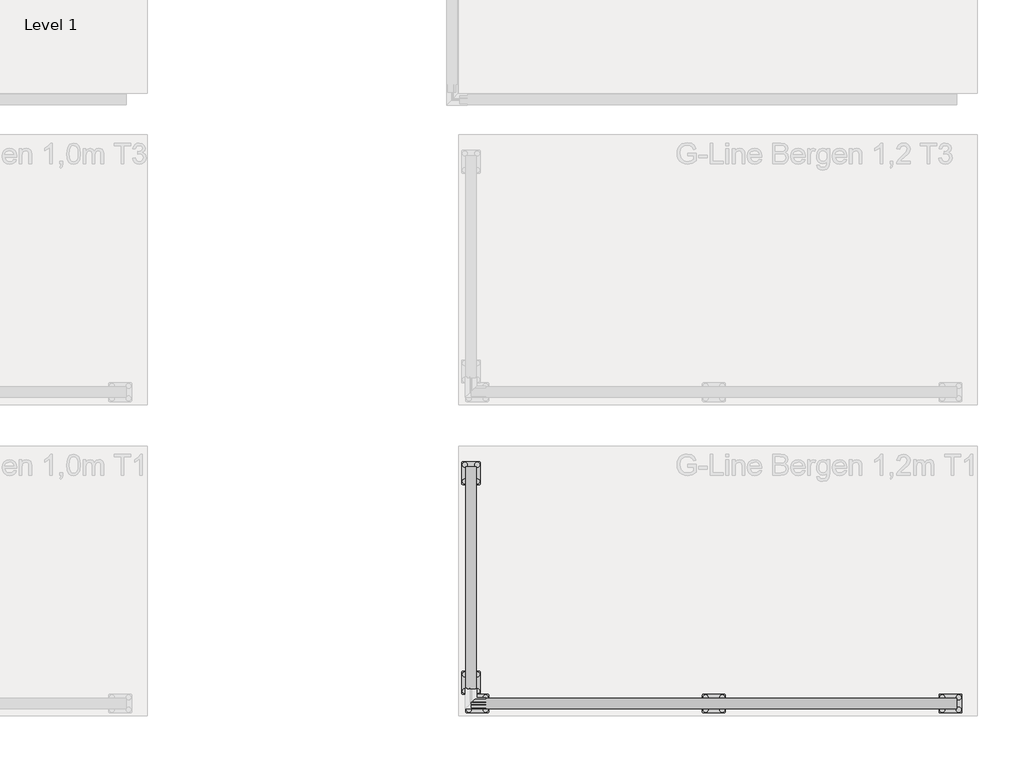
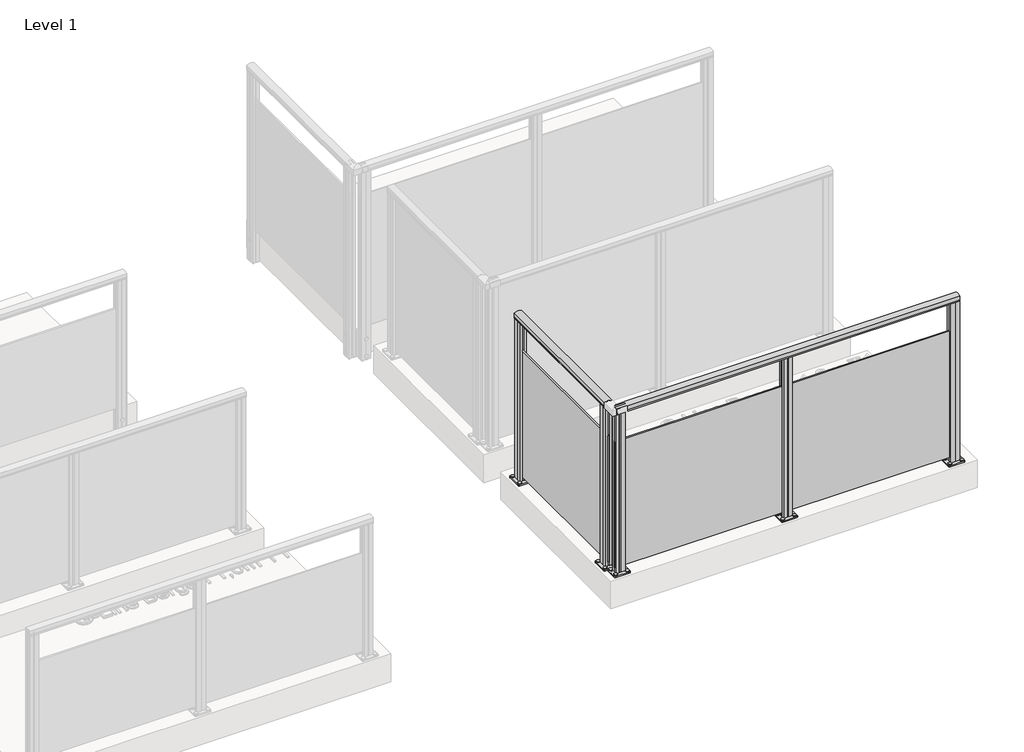
# One storey, part 4 of 14: 2 railings.
"""IFC4 building model written with IfcOpenShell, lengths in millimetres."""

import ifcopenshell
import ifcopenshell.guid

model = None  # the IFC model being written
_history = None  # IfcOwnerHistory: only IFC2X3 demands one
_inside = {}  # id of a spatial element -> (the spatial element, [elements in it])
_under = {}  # id of a project, library or spatial element -> (it, [spatial elements below it])
_declared = {}  # id of a project -> (the project, [libraries it declares])
_typed = {}  # id of a type object -> (the type object, [elements of that type])
_made_of = {}  # id of a material, layer set ... -> (it, [elements and type objects made of it])


def new_model(schema):
    """Start an empty IFC model of exactly this schema.

    Asked for "IFC4X3", IfcOpenShell would pick the latest addendum, in which some entities
    have other attributes; the version numbers below select the first issue.
    IFC2X3 requires an IfcOwnerHistory on every rooted entity: one is made here for all.
    """
    global model, _history
    if schema == "IFC4X3":
        model = ifcopenshell.file(schema_version=(4, 3, 0, 0))
    else:
        model = ifcopenshell.file(schema=schema)
    _inside.clear()
    _under.clear()
    _declared.clear()
    _typed.clear()
    _made_of.clear()
    _history = None
    if model.schema == "IFC2X3":
        org = make("IfcOrganization", Name="unknown")
        user = make(
            "IfcPersonAndOrganization",
            ThePerson=make("IfcPerson", FamilyName="unknown"),
            TheOrganization=org,
        )
        app = make(
            "IfcApplication",
            ApplicationDeveloper=org,
            Version="unknown",
            ApplicationFullName="unknown",
            ApplicationIdentifier="unknown",
        )
        _history = make(
            "IfcOwnerHistory",
            OwningUser=user,
            OwningApplication=app,
            ChangeAction="ADDED",
            CreationDate=0,
        )
    return model


def make(cls, **values):
    """One entity of the class cls with the attributes given. An attribute that is None is left unset."""
    return model.create_entity(
        cls, **{name: value for name, value in values.items() if value is not None}
    )


def rooted(cls, **values):
    """An entity with a GlobalId (a new one), such as an element, a storey or a relation."""
    return make(cls, GlobalId=ifcopenshell.guid.new(), OwnerHistory=_history, **values)


def si_unit(unit_type, name, prefix=None):
    """IfcSIUnit, for example si_unit("LENGTHUNIT", "METRE", prefix="MILLI")."""
    return make("IfcSIUnit", UnitType=unit_type, Prefix=prefix, Name=name)


def assignment(units):
    """IfcUnitAssignment: the units of a project."""
    return None if units is None else make("IfcUnitAssignment", Units=units)


def point(xyz):
    """IfcCartesianPoint."""
    return None if xyz is None else make("IfcCartesianPoint", Coordinates=xyz)


def direction(xyz):
    """IfcDirection."""
    return None if xyz is None else make("IfcDirection", DirectionRatios=xyz)


def frame(location, z_axis=None, x_axis=None):
    """IfcAxis2Placement3D, a coordinate frame: its origin and axes. An axis left out is left unset."""
    return make(
        "IfcAxis2Placement3D",
        Location=point(location),
        Axis=direction(z_axis),
        RefDirection=direction(x_axis),
    )


def frame_2d(location, x_axis=None):
    """IfcAxis2Placement2D, a coordinate frame in the plane: its origin and x axis."""
    return make(
        "IfcAxis2Placement2D", Location=point(location), RefDirection=direction(x_axis)
    )


def origin():
    """The frame at (0, 0, 0) with its axes left unset."""
    return frame((0.0, 0.0, 0.0))


def origin_with_axes():
    """The frame at (0, 0, 0) with the z axis (0, 0, 1) and the x axis (1, 0, 0) written out."""
    return frame((0.0, 0.0, 0.0), z_axis=(0.0, 0.0, 1.0), x_axis=(1.0, 0.0, 0.0))


def place(relative_to, where):
    """IfcLocalPlacement: puts the frame where relative to a parent placement (None: the world)."""
    return make(
        "IfcLocalPlacement", PlacementRelTo=relative_to, RelativePlacement=where
    )


def context(
    kind, dimensions, precision=None, world=None, true_north=None, identifier=None
):
    """IfcGeometricRepresentationContext, for example the 3D "Model" context."""
    return make(
        "IfcGeometricRepresentationContext",
        ContextIdentifier=identifier,
        ContextType=kind,
        CoordinateSpaceDimension=dimensions,
        Precision=precision,
        WorldCoordinateSystem=world,
        TrueNorth=true_north,
    )


def project(units=None, contexts=None):
    """IfcProject with its units and contexts."""
    return rooted(
        "IfcProject",
        Name="project",
        RepresentationContexts=contexts,
        UnitsInContext=assignment(units),
    )


def spatial(cls, under=None, at=None, **own):
    """A site, building, storey or space (cls), placed at a placement, below another one or the project."""
    s = rooted(cls, ObjectPlacement=at, **own)
    if under is not None:
        _under.setdefault(under.id(), (under, []))[1].append(s)
    return s


def polyline(points):
    """IfcPolyline through the points."""
    return make("IfcPolyline", Points=[point(p) for p in points])


def circle_curve(where, radius):
    """IfcCircle in the frame where."""
    return make("IfcCircle", Position=where, Radius=radius)


def trimmed(basis, trim1, trim2, sense, master):
    """IfcTrimmedCurve: the piece of a basis curve between two trims."""
    return make(
        "IfcTrimmedCurve",
        BasisCurve=basis,
        Trim1=trim1,
        Trim2=trim2,
        SenseAgreement=sense,
        MasterRepresentation=master,
    )


def segment(curve, same_sense, transition):
    """IfcCompositeCurveSegment."""
    return make(
        "IfcCompositeCurveSegment",
        Transition=transition,
        SameSense=same_sense,
        ParentCurve=curve,
    )


def composite_curve(segments, self_intersect=None):
    """IfcCompositeCurve: segments joined end to end."""
    return make("IfcCompositeCurve", Segments=segments, SelfIntersect=self_intersect)


def outline(outer, holes=None, kind="AREA"):
    """IfcArbitraryClosedProfileDef: a profile drawn as a closed curve; with holes, ...WithVoids."""
    if holes is None:
        return make("IfcArbitraryClosedProfileDef", ProfileType=kind, OuterCurve=outer)
    return make(
        "IfcArbitraryProfileDefWithVoids",
        ProfileType=kind,
        OuterCurve=outer,
        InnerCurves=holes,
    )


def extrude(swept, where, along, depth):
    """IfcExtrudedAreaSolid: the profile swept, set in the frame where, extruded along a direction by depth."""
    return make(
        "IfcExtrudedAreaSolid",
        SweptArea=swept,
        Position=where,
        ExtrudedDirection=direction(along),
        Depth=depth,
    )


def shape(context_of_items, identifier, shape_type, items):
    """IfcShapeRepresentation: the items that make up one representation, for example the "Body"."""
    return make(
        "IfcShapeRepresentation",
        ContextOfItems=context_of_items,
        RepresentationIdentifier=identifier,
        RepresentationType=shape_type,
        Items=items,
    )


def made_of(thing, what):
    """Note that an element or type object is made of a material, layer set ...; save() writes the relation."""
    if what is not None:
        _made_of.setdefault(what.id(), (what, []))[1].append(thing)
    return thing


def element(
    cls,
    number,
    at=None,
    inside=None,
    cuts=None,
    type_object=None,
    material=None,
    context=None,
    identifier="Body",
    shape_type=None,
    held_by="IfcProductDefinitionShape",
    body=None,
    shapes=None,
    **own,
):
    """One element of the class cls, such as IfcWall. Its Tag is "e" and its number.

    at: its placement. inside: the storey or other place that contains it. cuts: it is an
    opening in that element (IfcRelVoidsElement). A single representation is given by context,
    identifier, shape_type and body (its items); several are given by shapes. held_by: the class
    of the entity that holds the representations. save() writes the other relations.
    """
    e = rooted(cls, Tag="e%d" % number, ObjectPlacement=at, **own)
    if body is not None:
        shapes = [shape(context, identifier, shape_type, body)]
    if shapes is not None:
        e.Representation = make(held_by, Representations=shapes)
    if inside is not None:
        _inside.setdefault(inside.id(), (inside, []))[1].append(e)
    if cuts is not None:
        rooted(
            "IfcRelVoidsElement", RelatingBuildingElement=cuts, RelatedOpeningElement=e
        )
    if type_object is not None:
        _typed.setdefault(type_object.id(), (type_object, []))[1].append(e)
    return made_of(e, material)


def aggregate(whole, parts):
    """IfcRelAggregates: a whole, such as a stair, and the parts it consists of."""
    return rooted("IfcRelAggregates", RelatingObject=whole, RelatedObjects=parts)


def save(model, path):
    """Write the relations noted so far, then the file.

    IfcRelAggregates (storeys below a building ...), IfcRelContainedInSpatialStructure (elements
    in a storey), IfcRelDefinesByType, IfcRelAssociatesMaterial and IfcRelDeclares: one each for
    every whole, place, type object, material and project.
    """
    for whole, parts in _under.values():
        aggregate(whole, parts)
    for where, things in _inside.values():
        rooted(
            "IfcRelContainedInSpatialStructure",
            RelatedElements=things,
            RelatingStructure=where,
        )
    for kind, things in _typed.values():
        rooted("IfcRelDefinesByType", RelatedObjects=things, RelatingType=kind)
    for what, things in _made_of.values():
        rooted("IfcRelAssociatesMaterial", RelatedObjects=things, RelatingMaterial=what)
    for by, libraries in _declared.values():
        rooted("IfcRelDeclares", RelatingContext=by, RelatedDefinitions=libraries)
    model.write(path)


model = new_model("IFC4")

# Units and contexts
model_context = context("Model", 3, world=origin())
ifc_project = project(units=[si_unit("LENGTHUNIT", "METRE", prefix="MILLI")], contexts=[model_context])

# Site, building, storey
site = spatial("IfcSite", under=ifc_project)
building = spatial("IfcBuilding", under=site)
storey = spatial("IfcBuildingStorey", under=building, Name="Level 1", Elevation=0.0)

# Railings
placement = place(None, origin())
element("IfcRailing", 1, at=placement, inside=storey, context=model_context, shape_type="SweptSolid", body=[
    extrude(outline(composite_curve([segment(trimmed(circle_curve(frame_2d((1142.6785502, 2203.0702557)), 57.3235687), [point((1194.1390059, 2228.325216))], [point((1194.1342258, 2177.8055577))], False, "CARTESIAN"), True, "CONTINUOUS"), segment(polyline([(1194.1342258, 2177.8055577), (1167.0235023, 2177.8055577), (1166.4415706, 2178.3874894), (1165.8194895, 2177.7654083), (1157.2498847, 2177.7654083), (1157.2498847, 2179.5703613), (1180.4998829, 2179.5703613), (1180.4998829, 2226.5654074), (1157.2498847, 2226.5654074), (1157.2498847, 2228.325216), (1165.9694895, 2228.325216), (1166.5842725, 2227.7104329), (1167.1990555, 2228.325216), (1194.1390059, 2228.325216)]), True, "CONTINUOUS")], self_intersect=False)), frame((0.0, -4389.2844542, 0.0), z_axis=(0.0, 1.0, 0.0), x_axis=(0.0, 0.0, 1.0)), (0.0, 0.0, 1.0), 1070.0),
    extrude(outline(polyline([(2197.9654396, -3319.2844542), (2206.7254396, -3319.2844542), (2206.7254396, -4389.2844542), (2197.9654396, -4389.2844542), (2197.9654396, -3319.2844542)])), frame((0.0, 0.0, 40.0), z_axis=(0.0, 0.0, 1.0), x_axis=(1.0, 0.0, 0.0)), (0.0, 0.0, 1.0), 910.0),
    extrude(outline(composite_curve([segment(trimmed(circle_curve(frame_2d((2172.3454396, -4319.2844542)), 11.9621755), [point((2160.3832641, -4319.2844542))], [point((2184.307615, -4319.2844542))], False, "CARTESIAN"), True, "CONTINUOUS"), segment(trimmed(circle_curve(frame_2d((2172.3454396, -4319.2844542)), 11.9621755), [point((2184.307615, -4319.2844542))], [point((2160.3832641, -4319.2844542))], False, "CARTESIAN"), True, "CONTINUOUS")], self_intersect=False)), frame((0.0, 0.0, 10.0), z_axis=(0.0, 0.0, 1.0), x_axis=(1.0, 0.0, 0.0)), (0.0, 0.0, 1.0), 5.0),
    extrude(outline(composite_curve([segment(trimmed(circle_curve(frame_2d((2232.3454396, -4319.2844542)), 11.9621755), [point((2220.3832641, -4319.2844542))], [point((2244.307615, -4319.2844542))], False, "CARTESIAN"), True, "CONTINUOUS"), segment(trimmed(circle_curve(frame_2d((2232.3454396, -4319.2844542)), 11.9621755), [point((2244.307615, -4319.2844542))], [point((2220.3832641, -4319.2844542))], False, "CARTESIAN"), True, "CONTINUOUS")], self_intersect=False)), frame((0.0, 0.0, 10.0), z_axis=(0.0, 0.0, 1.0), x_axis=(1.0, 0.0, 0.0)), (0.0, 0.0, 1.0), 5.0),
    extrude(outline(composite_curve([segment(trimmed(circle_curve(frame_2d((2172.3454396, -4399.2844542)), 11.9621755), [point((2160.3832641, -4399.2844542))], [point((2184.307615, -4399.2844542))], False, "CARTESIAN"), True, "CONTINUOUS"), segment(trimmed(circle_curve(frame_2d((2172.3454396, -4399.2844542)), 11.9621755), [point((2184.307615, -4399.2844542))], [point((2160.3832641, -4399.2844542))], False, "CARTESIAN"), True, "CONTINUOUS")], self_intersect=False)), frame((0.0, 0.0, 10.0), z_axis=(0.0, 0.0, 1.0), x_axis=(1.0, 0.0, 0.0)), (0.0, 0.0, 1.0), 5.0),
    extrude(outline(composite_curve([segment(trimmed(circle_curve(frame_2d((2232.3454396, -4399.2844542)), 11.9621755), [point((2220.3832641, -4399.2844542))], [point((2244.307615, -4399.2844542))], False, "CARTESIAN"), True, "CONTINUOUS"), segment(trimmed(circle_curve(frame_2d((2232.3454396, -4399.2844542)), 11.9621755), [point((2244.307615, -4399.2844542))], [point((2220.3832641, -4399.2844542))], False, "CARTESIAN"), True, "CONTINUOUS")], self_intersect=False)), frame((0.0, 0.0, 10.0), z_axis=(0.0, 0.0, 1.0), x_axis=(1.0, 0.0, 0.0)), (0.0, 0.0, 1.0), 5.0),
    extrude(outline(composite_curve([segment(trimmed(circle_curve(frame_2d((2242.3454396, -4309.2844542)), 5.0), [point((2242.3454396, -4304.2844542))], [point((2247.3454396, -4309.2844542))], False, "CARTESIAN"), True, "CONTINUOUS"), segment(polyline([(2247.3454396, -4309.2844542), (2247.3454396, -4409.2844542)]), True, "CONTINUOUS"), segment(trimmed(circle_curve(frame_2d((2242.3454396, -4409.2844542)), 5.0), [point((2247.3454396, -4409.2844542))], [point((2242.3454396, -4414.2844542))], False, "CARTESIAN"), True, "CONTINUOUS"), segment(polyline([(2242.3454396, -4414.2844542), (2162.3454396, -4414.2844542)]), True, "CONTINUOUS"), segment(trimmed(circle_curve(frame_2d((2162.3454396, -4409.2844542)), 5.0), [point((2162.3454396, -4414.2844542))], [point((2157.3454396, -4409.2844542))], False, "CARTESIAN"), True, "CONTINUOUS"), segment(polyline([(2157.3454396, -4409.2844542), (2157.3454396, -4309.2844542)]), True, "CONTINUOUS"), segment(trimmed(circle_curve(frame_2d((2162.3454396, -4309.2844542)), 5.0), [point((2157.3454396, -4309.2844542))], [point((2162.3454396, -4304.2844542))], False, "CARTESIAN"), True, "CONTINUOUS"), segment(polyline([(2162.3454396, -4304.2844542), (2242.3454396, -4304.2844542)]), True, "CONTINUOUS")], self_intersect=False), holes=[composite_curve([segment(trimmed(circle_curve(frame_2d((2232.3454396, -4319.2844542)), 6.25), [point((2226.0954396, -4319.2844542))], [point((2238.5954396, -4319.2844542))], True, "CARTESIAN"), True, "CONTINUOUS"), segment(trimmed(circle_curve(frame_2d((2232.3454396, -4319.2844542)), 6.25), [point((2238.5954396, -4319.2844542))], [point((2226.0954396, -4319.2844542))], True, "CARTESIAN"), True, "CONTINUOUS")], self_intersect=False), composite_curve([segment(trimmed(circle_curve(frame_2d((2172.3454396, -4319.2844542)), 6.25), [point((2166.0954396, -4319.2844542))], [point((2178.5954396, -4319.2844542))], True, "CARTESIAN"), True, "CONTINUOUS"), segment(trimmed(circle_curve(frame_2d((2172.3454396, -4319.2844542)), 6.25), [point((2178.5954396, -4319.2844542))], [point((2166.0954396, -4319.2844542))], True, "CARTESIAN"), True, "CONTINUOUS")], self_intersect=False), composite_curve([segment(trimmed(circle_curve(frame_2d((2172.3454396, -4399.2844542)), 6.25), [point((2166.0954396, -4399.2844542))], [point((2178.5954396, -4399.2844542))], True, "CARTESIAN"), True, "CONTINUOUS"), segment(trimmed(circle_curve(frame_2d((2172.3454396, -4399.2844542)), 6.25), [point((2178.5954396, -4399.2844542))], [point((2166.0954396, -4399.2844542))], True, "CARTESIAN"), True, "CONTINUOUS")], self_intersect=False), composite_curve([segment(trimmed(circle_curve(frame_2d((2232.3454396, -4399.2844542)), 6.25), [point((2226.0954396, -4399.2844542))], [point((2238.5954396, -4399.2844542))], True, "CARTESIAN"), True, "CONTINUOUS"), segment(trimmed(circle_curve(frame_2d((2232.3454396, -4399.2844542)), 6.25), [point((2238.5954396, -4399.2844542))], [point((2226.0954396, -4399.2844542))], True, "CARTESIAN"), True, "CONTINUOUS")], self_intersect=False)]), origin_with_axes(), (0.0, 0.0, 1.0), 10.0),
    extrude(outline(polyline([(2197.9995776, -4389.2828611), (2179.8545778, -4389.2855333), (2179.8503119, -4360.3185463), (2180.8784532, -4359.2901021), (2179.8900636, -4358.3020036), (2179.8857904, -4329.2855281), (2197.9907415, -4329.2828618), (2197.9933187, -4346.7828616), (2206.7533186, -4346.7815715), (2206.7507414, -4329.2815717), (2224.8457412, -4329.2789069), (2224.8500071, -4358.2458938), (2223.9316748, -4359.2837617), (2224.8100969, -4360.1619251), (2224.8143849, -4389.2789121), (2206.7595775, -4389.281571), (2206.7570003, -4371.7815712), (2197.9970004, -4371.7828613), (2197.9995776, -4389.2828611)]), holes=[polyline([(2222.8514552, -4350.4852392), (2181.8488637, -4350.4852392), (2181.8488637, -4368.0792009), (2222.8514552, -4368.0792009), (2222.8514552, -4350.4852392)]), polyline([(2195.9935691, -4331.2852394), (2181.8460362, -4331.2852394), (2181.8460362, -4348.4831561), (2195.9935691, -4348.4831561), (2195.9935691, -4331.2852394)]), polyline([(2222.8514552, -4331.2812771), (2208.7510359, -4331.2812771), (2208.7510359, -4348.4792008), (2222.8514552, -4348.4792008), (2222.8514552, -4331.2812771)]), polyline([(2195.9992831, -4370.0852389), (2181.8517502, -4370.0852389), (2181.8517502, -4387.2831556), (2195.9992831, -4387.2831556), (2195.9992831, -4370.0852389)]), polyline([(2222.9042828, -4370.0812767), (2208.7567499, -4370.0812767), (2208.7567499, -4387.2791934), (2222.9042828, -4387.2791934), (2222.9042828, -4370.0812767)])]), frame((0.0, 0.0, 10.0), z_axis=(0.0, 0.0, 1.0), x_axis=(1.0, 0.0, 0.0)), (0.0, 0.0, 1.0), 1171.0),
    extrude(outline(composite_curve([segment(trimmed(circle_curve(frame_2d((2172.3454396, -3309.2844542)), 11.9621755), [point((2160.3832641, -3309.2844542))], [point((2184.307615, -3309.2844542))], False, "CARTESIAN"), True, "CONTINUOUS"), segment(trimmed(circle_curve(frame_2d((2172.3454396, -3309.2844542)), 11.9621755), [point((2184.307615, -3309.2844542))], [point((2160.3832641, -3309.2844542))], False, "CARTESIAN"), True, "CONTINUOUS")], self_intersect=False)), frame((0.0, 0.0, 10.0), z_axis=(0.0, 0.0, 1.0), x_axis=(1.0, 0.0, 0.0)), (0.0, 0.0, 1.0), 5.0),
    extrude(outline(composite_curve([segment(trimmed(circle_curve(frame_2d((2232.3454396, -3309.2844542)), 11.9621755), [point((2220.3832641, -3309.2844542))], [point((2244.307615, -3309.2844542))], False, "CARTESIAN"), True, "CONTINUOUS"), segment(trimmed(circle_curve(frame_2d((2232.3454396, -3309.2844542)), 11.9621755), [point((2244.307615, -3309.2844542))], [point((2220.3832641, -3309.2844542))], False, "CARTESIAN"), True, "CONTINUOUS")], self_intersect=False)), frame((0.0, 0.0, 10.0), z_axis=(0.0, 0.0, 1.0), x_axis=(1.0, 0.0, 0.0)), (0.0, 0.0, 1.0), 5.0),
    extrude(outline(composite_curve([segment(trimmed(circle_curve(frame_2d((2172.3454396, -3389.2844542)), 11.9621755), [point((2160.3832641, -3389.2844542))], [point((2184.307615, -3389.2844542))], False, "CARTESIAN"), True, "CONTINUOUS"), segment(trimmed(circle_curve(frame_2d((2172.3454396, -3389.2844542)), 11.9621755), [point((2184.307615, -3389.2844542))], [point((2160.3832641, -3389.2844542))], False, "CARTESIAN"), True, "CONTINUOUS")], self_intersect=False)), frame((0.0, 0.0, 10.0), z_axis=(0.0, 0.0, 1.0), x_axis=(1.0, 0.0, 0.0)), (0.0, 0.0, 1.0), 5.0),
    extrude(outline(composite_curve([segment(trimmed(circle_curve(frame_2d((2232.3454396, -3389.2844542)), 11.9621755), [point((2220.3832641, -3389.2844542))], [point((2244.307615, -3389.2844542))], False, "CARTESIAN"), True, "CONTINUOUS"), segment(trimmed(circle_curve(frame_2d((2232.3454396, -3389.2844542)), 11.9621755), [point((2244.307615, -3389.2844542))], [point((2220.3832641, -3389.2844542))], False, "CARTESIAN"), True, "CONTINUOUS")], self_intersect=False)), frame((0.0, 0.0, 10.0), z_axis=(0.0, 0.0, 1.0), x_axis=(1.0, 0.0, 0.0)), (0.0, 0.0, 1.0), 5.0),
    extrude(outline(composite_curve([segment(trimmed(circle_curve(frame_2d((2242.3454396, -3299.2844542)), 5.0), [point((2242.3454396, -3294.2844542))], [point((2247.3454396, -3299.2844542))], False, "CARTESIAN"), True, "CONTINUOUS"), segment(polyline([(2247.3454396, -3299.2844542), (2247.3454396, -3399.2844542)]), True, "CONTINUOUS"), segment(trimmed(circle_curve(frame_2d((2242.3454396, -3399.2844542)), 5.0), [point((2247.3454396, -3399.2844542))], [point((2242.3454396, -3404.2844542))], False, "CARTESIAN"), True, "CONTINUOUS"), segment(polyline([(2242.3454396, -3404.2844542), (2162.3454396, -3404.2844542)]), True, "CONTINUOUS"), segment(trimmed(circle_curve(frame_2d((2162.3454396, -3399.2844542)), 5.0), [point((2162.3454396, -3404.2844542))], [point((2157.3454396, -3399.2844542))], False, "CARTESIAN"), True, "CONTINUOUS"), segment(polyline([(2157.3454396, -3399.2844542), (2157.3454396, -3299.2844542)]), True, "CONTINUOUS"), segment(trimmed(circle_curve(frame_2d((2162.3454396, -3299.2844542)), 5.0), [point((2157.3454396, -3299.2844542))], [point((2162.3454396, -3294.2844542))], False, "CARTESIAN"), True, "CONTINUOUS"), segment(polyline([(2162.3454396, -3294.2844542), (2242.3454396, -3294.2844542)]), True, "CONTINUOUS")], self_intersect=False), holes=[composite_curve([segment(trimmed(circle_curve(frame_2d((2232.3454396, -3309.2844542)), 6.25), [point((2226.0954396, -3309.2844542))], [point((2238.5954396, -3309.2844542))], True, "CARTESIAN"), True, "CONTINUOUS"), segment(trimmed(circle_curve(frame_2d((2232.3454396, -3309.2844542)), 6.25), [point((2238.5954396, -3309.2844542))], [point((2226.0954396, -3309.2844542))], True, "CARTESIAN"), True, "CONTINUOUS")], self_intersect=False), composite_curve([segment(trimmed(circle_curve(frame_2d((2172.3454396, -3309.2844542)), 6.25), [point((2166.0954396, -3309.2844542))], [point((2178.5954396, -3309.2844542))], True, "CARTESIAN"), True, "CONTINUOUS"), segment(trimmed(circle_curve(frame_2d((2172.3454396, -3309.2844542)), 6.25), [point((2178.5954396, -3309.2844542))], [point((2166.0954396, -3309.2844542))], True, "CARTESIAN"), True, "CONTINUOUS")], self_intersect=False), composite_curve([segment(trimmed(circle_curve(frame_2d((2172.3454396, -3389.2844542)), 6.25), [point((2166.0954396, -3389.2844542))], [point((2178.5954396, -3389.2844542))], True, "CARTESIAN"), True, "CONTINUOUS"), segment(trimmed(circle_curve(frame_2d((2172.3454396, -3389.2844542)), 6.25), [point((2178.5954396, -3389.2844542))], [point((2166.0954396, -3389.2844542))], True, "CARTESIAN"), True, "CONTINUOUS")], self_intersect=False), composite_curve([segment(trimmed(circle_curve(frame_2d((2232.3454396, -3389.2844542)), 6.25), [point((2226.0954396, -3389.2844542))], [point((2238.5954396, -3389.2844542))], True, "CARTESIAN"), True, "CONTINUOUS"), segment(trimmed(circle_curve(frame_2d((2232.3454396, -3389.2844542)), 6.25), [point((2238.5954396, -3389.2844542))], [point((2226.0954396, -3389.2844542))], True, "CARTESIAN"), True, "CONTINUOUS")], self_intersect=False)]), origin_with_axes(), (0.0, 0.0, 1.0), 10.0),
    extrude(outline(polyline([(2197.9995776, -3379.2828611), (2179.8545778, -3379.2855333), (2179.8503119, -3350.3185463), (2180.8784532, -3349.2901021), (2179.8900636, -3348.3020036), (2179.8857904, -3319.2855281), (2197.9907415, -3319.2828618), (2197.9933187, -3336.7828616), (2206.7533186, -3336.7815715), (2206.7507414, -3319.2815717), (2224.8457412, -3319.2789069), (2224.8500071, -3348.2458938), (2223.9316748, -3349.2837617), (2224.8100969, -3350.1619251), (2224.8143849, -3379.2789121), (2206.7595775, -3379.281571), (2206.7570003, -3361.7815712), (2197.9970004, -3361.7828613), (2197.9995776, -3379.2828611)]), holes=[polyline([(2222.8514552, -3340.4852392), (2181.8488637, -3340.4852392), (2181.8488637, -3358.0792009), (2222.8514552, -3358.0792009), (2222.8514552, -3340.4852392)]), polyline([(2195.9935691, -3321.2852394), (2181.8460362, -3321.2852394), (2181.8460362, -3338.4831561), (2195.9935691, -3338.4831561), (2195.9935691, -3321.2852394)]), polyline([(2222.8514552, -3321.2812771), (2208.7510359, -3321.2812771), (2208.7510359, -3338.4792008), (2222.8514552, -3338.4792008), (2222.8514552, -3321.2812771)]), polyline([(2195.9992831, -3360.0852389), (2181.8517502, -3360.0852389), (2181.8517502, -3377.2831556), (2195.9992831, -3377.2831556), (2195.9992831, -3360.0852389)]), polyline([(2222.9042828, -3360.0812767), (2208.7567499, -3360.0812767), (2208.7567499, -3377.2791934), (2222.9042828, -3377.2791934), (2222.9042828, -3360.0812767)])]), frame((0.0, 0.0, 10.0), z_axis=(0.0, 0.0, 1.0), x_axis=(1.0, 0.0, 0.0)), (0.0, 0.0, 1.0), 1171.0),
])
element("IfcRailing", 2, at=placement, inside=storey, context=model_context, shape_type="SweptSolid", body=[
    extrude(outline(composite_curve([segment(polyline([(-4433.3046778, 1194.1390059), (-4433.3046778, 1167.1990555), (-4433.9194608, 1166.5842725), (-4433.3046778, 1165.9694895), (-4433.3046778, 1157.2498847), (-4435.0644864, 1157.2498847), (-4435.0644864, 1180.4998829), (-4482.0595325, 1180.4998829), (-4482.0595325, 1157.2498847), (-4483.8644854, 1157.2498847), (-4483.8644854, 1165.8194895), (-4483.2424043, 1166.4415706), (-4483.8243361, 1167.0235023), (-4483.8243361, 1194.1342258)]), True, "CONTINUOUS"), segment(trimmed(circle_curve(frame_2d((-4458.5596381, 1142.6785502)), 57.3235687), [point((-4483.8243361, 1194.1342258))], [point((-4433.3046778, 1194.1390059))], False, "CARTESIAN"), True, "CONTINUOUS")], self_intersect=False)), frame((2202.3454396, 0.0, 0.0), z_axis=(1.0, 0.0, 0.0), x_axis=(0.0, 1.0, 0.0)), (0.0, 0.0, 1.0), 2340.0),
    extrude(outline(polyline([(2202.3454396, -4463.6644542), (2202.3454396, -4454.9044542), (4542.3454396, -4454.9044542), (4542.3454396, -4463.6644542), (2202.3454396, -4463.6644542)])), frame((0.0, 0.0, 40.0), z_axis=(0.0, 0.0, 1.0), x_axis=(1.0, 0.0, 0.0)), (0.0, 0.0, 1.0), 910.0),
    extrude(outline(composite_curve([segment(trimmed(circle_curve(frame_2d((3332.3454396, -4489.2844542)), 11.9621755), [point((3332.3454396, -4501.2466296))], [point((3332.3454396, -4477.3222787))], False, "CARTESIAN"), True, "CONTINUOUS"), segment(trimmed(circle_curve(frame_2d((3332.3454396, -4489.2844542)), 11.9621755), [point((3332.3454396, -4477.3222787))], [point((3332.3454396, -4501.2466296))], False, "CARTESIAN"), True, "CONTINUOUS")], self_intersect=False)), frame((0.0, 0.0, 10.0), z_axis=(0.0, 0.0, 1.0), x_axis=(1.0, 0.0, 0.0)), (0.0, 0.0, 1.0), 5.0),
    extrude(outline(composite_curve([segment(trimmed(circle_curve(frame_2d((3332.3454396, -4429.2844542)), 11.9621755), [point((3332.3454396, -4441.2466296))], [point((3332.3454396, -4417.3222787))], False, "CARTESIAN"), True, "CONTINUOUS"), segment(trimmed(circle_curve(frame_2d((3332.3454396, -4429.2844542)), 11.9621755), [point((3332.3454396, -4417.3222787))], [point((3332.3454396, -4441.2466296))], False, "CARTESIAN"), True, "CONTINUOUS")], self_intersect=False)), frame((0.0, 0.0, 10.0), z_axis=(0.0, 0.0, 1.0), x_axis=(1.0, 0.0, 0.0)), (0.0, 0.0, 1.0), 5.0),
    extrude(outline(composite_curve([segment(trimmed(circle_curve(frame_2d((3412.3454396, -4489.2844542)), 11.9621755), [point((3412.3454396, -4501.2466296))], [point((3412.3454396, -4477.3222787))], False, "CARTESIAN"), True, "CONTINUOUS"), segment(trimmed(circle_curve(frame_2d((3412.3454396, -4489.2844542)), 11.9621755), [point((3412.3454396, -4477.3222787))], [point((3412.3454396, -4501.2466296))], False, "CARTESIAN"), True, "CONTINUOUS")], self_intersect=False)), frame((0.0, 0.0, 10.0), z_axis=(0.0, 0.0, 1.0), x_axis=(1.0, 0.0, 0.0)), (0.0, 0.0, 1.0), 5.0),
    extrude(outline(composite_curve([segment(trimmed(circle_curve(frame_2d((3412.3454396, -4429.2844542)), 11.9621755), [point((3412.3454396, -4441.2466296))], [point((3412.3454396, -4417.3222787))], False, "CARTESIAN"), True, "CONTINUOUS"), segment(trimmed(circle_curve(frame_2d((3412.3454396, -4429.2844542)), 11.9621755), [point((3412.3454396, -4417.3222787))], [point((3412.3454396, -4441.2466296))], False, "CARTESIAN"), True, "CONTINUOUS")], self_intersect=False)), frame((0.0, 0.0, 10.0), z_axis=(0.0, 0.0, 1.0), x_axis=(1.0, 0.0, 0.0)), (0.0, 0.0, 1.0), 5.0),
    extrude(outline(composite_curve([segment(trimmed(circle_curve(frame_2d((3322.3454396, -4419.2844542)), 5.0), [point((3317.3454396, -4419.2844542))], [point((3322.3454396, -4414.2844542))], False, "CARTESIAN"), True, "CONTINUOUS"), segment(polyline([(3322.3454396, -4414.2844542), (3422.3454396, -4414.2844542)]), True, "CONTINUOUS"), segment(trimmed(circle_curve(frame_2d((3422.3454396, -4419.2844542)), 5.0), [point((3422.3454396, -4414.2844542))], [point((3427.3454396, -4419.2844542))], False, "CARTESIAN"), True, "CONTINUOUS"), segment(polyline([(3427.3454396, -4419.2844542), (3427.3454396, -4499.2844542)]), True, "CONTINUOUS"), segment(trimmed(circle_curve(frame_2d((3422.3454396, -4499.2844542)), 5.0), [point((3427.3454396, -4499.2844542))], [point((3422.3454396, -4504.2844542))], False, "CARTESIAN"), True, "CONTINUOUS"), segment(polyline([(3422.3454396, -4504.2844542), (3322.3454396, -4504.2844542)]), True, "CONTINUOUS"), segment(trimmed(circle_curve(frame_2d((3322.3454396, -4499.2844542)), 5.0), [point((3322.3454396, -4504.2844542))], [point((3317.3454396, -4499.2844542))], False, "CARTESIAN"), True, "CONTINUOUS"), segment(polyline([(3317.3454396, -4499.2844542), (3317.3454396, -4419.2844542)]), True, "CONTINUOUS")], self_intersect=False), holes=[composite_curve([segment(trimmed(circle_curve(frame_2d((3332.3454396, -4429.2844542)), 6.25), [point((3332.3454396, -4435.5344542))], [point((3332.3454396, -4423.0344542))], True, "CARTESIAN"), True, "CONTINUOUS"), segment(trimmed(circle_curve(frame_2d((3332.3454396, -4429.2844542)), 6.25), [point((3332.3454396, -4423.0344542))], [point((3332.3454396, -4435.5344542))], True, "CARTESIAN"), True, "CONTINUOUS")], self_intersect=False), composite_curve([segment(trimmed(circle_curve(frame_2d((3332.3454396, -4489.2844542)), 6.25), [point((3332.3454396, -4495.5344542))], [point((3332.3454396, -4483.0344542))], True, "CARTESIAN"), True, "CONTINUOUS"), segment(trimmed(circle_curve(frame_2d((3332.3454396, -4489.2844542)), 6.25), [point((3332.3454396, -4483.0344542))], [point((3332.3454396, -4495.5344542))], True, "CARTESIAN"), True, "CONTINUOUS")], self_intersect=False), composite_curve([segment(trimmed(circle_curve(frame_2d((3412.3454396, -4489.2844542)), 6.25), [point((3412.3454396, -4495.5344542))], [point((3412.3454396, -4483.0344542))], True, "CARTESIAN"), True, "CONTINUOUS"), segment(trimmed(circle_curve(frame_2d((3412.3454396, -4489.2844542)), 6.25), [point((3412.3454396, -4483.0344542))], [point((3412.3454396, -4495.5344542))], True, "CARTESIAN"), True, "CONTINUOUS")], self_intersect=False), composite_curve([segment(trimmed(circle_curve(frame_2d((3412.3454396, -4429.2844542)), 6.25), [point((3412.3454396, -4435.5344542))], [point((3412.3454396, -4423.0344542))], True, "CARTESIAN"), True, "CONTINUOUS"), segment(trimmed(circle_curve(frame_2d((3412.3454396, -4429.2844542)), 6.25), [point((3412.3454396, -4423.0344542))], [point((3412.3454396, -4435.5344542))], True, "CARTESIAN"), True, "CONTINUOUS")], self_intersect=False)]), origin_with_axes(), (0.0, 0.0, 1.0), 10.0),
    extrude(outline(polyline([(3402.3438465, -4463.6303161), (3402.3465187, -4481.775316), (3373.3795317, -4481.7795819), (3372.3510875, -4480.7514406), (3371.362989, -4481.7398302), (3342.3465135, -4481.7441034), (3342.3438472, -4463.6391523), (3359.843847, -4463.6365751), (3359.8425569, -4454.8765752), (3342.3425571, -4454.8791524), (3342.3398922, -4436.7841526), (3371.3068792, -4436.7798866), (3372.3447471, -4437.698219), (3373.2229105, -4436.8197969), (3402.3398975, -4436.8155088), (3402.3425564, -4454.8703162), (3384.8425566, -4454.8728934), (3384.8438467, -4463.6328934), (3402.3438465, -4463.6303161)]), holes=[polyline([(3363.5462246, -4438.7784385), (3363.5462246, -4479.78103), (3381.1401863, -4479.78103), (3381.1401863, -4438.7784385), (3363.5462246, -4438.7784385)]), polyline([(3344.3462248, -4465.6363247), (3344.3462248, -4479.7838576), (3361.5441415, -4479.7838576), (3361.5441415, -4465.6363247), (3344.3462248, -4465.6363247)]), polyline([(3344.3422625, -4438.7784385), (3344.3422625, -4452.8788579), (3361.5401862, -4452.8788579), (3361.5401862, -4438.7784385), (3344.3422625, -4438.7784385)]), polyline([(3383.1462243, -4465.6306107), (3383.1462243, -4479.7781435), (3400.344141, -4479.7781435), (3400.344141, -4465.6306107), (3383.1462243, -4465.6306107)]), polyline([(3383.1422621, -4438.725611), (3383.1422621, -4452.8731438), (3400.3401788, -4452.8731438), (3400.3401788, -4438.725611), (3383.1422621, -4438.725611)])]), frame((0.0, 0.0, 10.0), z_axis=(0.0, 0.0, 1.0), x_axis=(1.0, 0.0, 0.0)), (0.0, 0.0, 1.0), 1171.0),
    extrude(outline(composite_curve([segment(trimmed(circle_curve(frame_2d((4472.3454396, -4489.2844542)), 11.9621755), [point((4472.3454396, -4501.2466296))], [point((4472.3454396, -4477.3222787))], False, "CARTESIAN"), True, "CONTINUOUS"), segment(trimmed(circle_curve(frame_2d((4472.3454396, -4489.2844542)), 11.9621755), [point((4472.3454396, -4477.3222787))], [point((4472.3454396, -4501.2466296))], False, "CARTESIAN"), True, "CONTINUOUS")], self_intersect=False)), frame((0.0, 0.0, 10.0), z_axis=(0.0, 0.0, 1.0), x_axis=(1.0, 0.0, 0.0)), (0.0, 0.0, 1.0), 5.0),
    extrude(outline(composite_curve([segment(trimmed(circle_curve(frame_2d((4472.3454396, -4429.2844542)), 11.9621755), [point((4472.3454396, -4441.2466296))], [point((4472.3454396, -4417.3222787))], False, "CARTESIAN"), True, "CONTINUOUS"), segment(trimmed(circle_curve(frame_2d((4472.3454396, -4429.2844542)), 11.9621755), [point((4472.3454396, -4417.3222787))], [point((4472.3454396, -4441.2466296))], False, "CARTESIAN"), True, "CONTINUOUS")], self_intersect=False)), frame((0.0, 0.0, 10.0), z_axis=(0.0, 0.0, 1.0), x_axis=(1.0, 0.0, 0.0)), (0.0, 0.0, 1.0), 5.0),
    extrude(outline(composite_curve([segment(trimmed(circle_curve(frame_2d((4552.3454396, -4489.2844542)), 11.9621755), [point((4552.3454396, -4501.2466296))], [point((4552.3454396, -4477.3222787))], False, "CARTESIAN"), True, "CONTINUOUS"), segment(trimmed(circle_curve(frame_2d((4552.3454396, -4489.2844542)), 11.9621755), [point((4552.3454396, -4477.3222787))], [point((4552.3454396, -4501.2466296))], False, "CARTESIAN"), True, "CONTINUOUS")], self_intersect=False)), frame((0.0, 0.0, 10.0), z_axis=(0.0, 0.0, 1.0), x_axis=(1.0, 0.0, 0.0)), (0.0, 0.0, 1.0), 5.0),
    extrude(outline(composite_curve([segment(trimmed(circle_curve(frame_2d((4552.3454396, -4429.2844542)), 11.9621755), [point((4552.3454396, -4441.2466296))], [point((4552.3454396, -4417.3222787))], False, "CARTESIAN"), True, "CONTINUOUS"), segment(trimmed(circle_curve(frame_2d((4552.3454396, -4429.2844542)), 11.9621755), [point((4552.3454396, -4417.3222787))], [point((4552.3454396, -4441.2466296))], False, "CARTESIAN"), True, "CONTINUOUS")], self_intersect=False)), frame((0.0, 0.0, 10.0), z_axis=(0.0, 0.0, 1.0), x_axis=(1.0, 0.0, 0.0)), (0.0, 0.0, 1.0), 5.0),
    extrude(outline(composite_curve([segment(trimmed(circle_curve(frame_2d((4462.3454396, -4419.2844542)), 5.0), [point((4457.3454396, -4419.2844542))], [point((4462.3454396, -4414.2844542))], False, "CARTESIAN"), True, "CONTINUOUS"), segment(polyline([(4462.3454396, -4414.2844542), (4562.3454396, -4414.2844542)]), True, "CONTINUOUS"), segment(trimmed(circle_curve(frame_2d((4562.3454396, -4419.2844542)), 5.0), [point((4562.3454396, -4414.2844542))], [point((4567.3454396, -4419.2844542))], False, "CARTESIAN"), True, "CONTINUOUS"), segment(polyline([(4567.3454396, -4419.2844542), (4567.3454396, -4499.2844542)]), True, "CONTINUOUS"), segment(trimmed(circle_curve(frame_2d((4562.3454396, -4499.2844542)), 5.0), [point((4567.3454396, -4499.2844542))], [point((4562.3454396, -4504.2844542))], False, "CARTESIAN"), True, "CONTINUOUS"), segment(polyline([(4562.3454396, -4504.2844542), (4462.3454396, -4504.2844542)]), True, "CONTINUOUS"), segment(trimmed(circle_curve(frame_2d((4462.3454396, -4499.2844542)), 5.0), [point((4462.3454396, -4504.2844542))], [point((4457.3454396, -4499.2844542))], False, "CARTESIAN"), True, "CONTINUOUS"), segment(polyline([(4457.3454396, -4499.2844542), (4457.3454396, -4419.2844542)]), True, "CONTINUOUS")], self_intersect=False), holes=[composite_curve([segment(trimmed(circle_curve(frame_2d((4472.3454396, -4429.2844542)), 6.25), [point((4472.3454396, -4435.5344542))], [point((4472.3454396, -4423.0344542))], True, "CARTESIAN"), True, "CONTINUOUS"), segment(trimmed(circle_curve(frame_2d((4472.3454396, -4429.2844542)), 6.25), [point((4472.3454396, -4423.0344542))], [point((4472.3454396, -4435.5344542))], True, "CARTESIAN"), True, "CONTINUOUS")], self_intersect=False), composite_curve([segment(trimmed(circle_curve(frame_2d((4472.3454396, -4489.2844542)), 6.25), [point((4472.3454396, -4495.5344542))], [point((4472.3454396, -4483.0344542))], True, "CARTESIAN"), True, "CONTINUOUS"), segment(trimmed(circle_curve(frame_2d((4472.3454396, -4489.2844542)), 6.25), [point((4472.3454396, -4483.0344542))], [point((4472.3454396, -4495.5344542))], True, "CARTESIAN"), True, "CONTINUOUS")], self_intersect=False), composite_curve([segment(trimmed(circle_curve(frame_2d((4552.3454396, -4489.2844542)), 6.25), [point((4552.3454396, -4495.5344542))], [point((4552.3454396, -4483.0344542))], True, "CARTESIAN"), True, "CONTINUOUS"), segment(trimmed(circle_curve(frame_2d((4552.3454396, -4489.2844542)), 6.25), [point((4552.3454396, -4483.0344542))], [point((4552.3454396, -4495.5344542))], True, "CARTESIAN"), True, "CONTINUOUS")], self_intersect=False), composite_curve([segment(trimmed(circle_curve(frame_2d((4552.3454396, -4429.2844542)), 6.25), [point((4552.3454396, -4435.5344542))], [point((4552.3454396, -4423.0344542))], True, "CARTESIAN"), True, "CONTINUOUS"), segment(trimmed(circle_curve(frame_2d((4552.3454396, -4429.2844542)), 6.25), [point((4552.3454396, -4423.0344542))], [point((4552.3454396, -4435.5344542))], True, "CARTESIAN"), True, "CONTINUOUS")], self_intersect=False)]), origin_with_axes(), (0.0, 0.0, 1.0), 10.0),
    extrude(outline(polyline([(4542.3438465, -4463.6303161), (4542.3465187, -4481.775316), (4513.3795317, -4481.7795819), (4512.3510875, -4480.7514406), (4511.362989, -4481.7398302), (4482.3465135, -4481.7441034), (4482.3438472, -4463.6391523), (4499.843847, -4463.6365751), (4499.8425569, -4454.8765752), (4482.3425571, -4454.8791524), (4482.3398922, -4436.7841526), (4511.3068792, -4436.7798866), (4512.3447471, -4437.698219), (4513.2229105, -4436.8197969), (4542.3398975, -4436.8155088), (4542.3425564, -4454.8703162), (4524.8425566, -4454.8728935), (4524.8438467, -4463.6328934), (4542.3438465, -4463.6303161)]), holes=[polyline([(4503.5462246, -4438.7784385), (4503.5462246, -4479.78103), (4521.1401863, -4479.78103), (4521.1401863, -4438.7784385), (4503.5462246, -4438.7784385)]), polyline([(4484.3462248, -4465.6363247), (4484.3462248, -4479.7838576), (4501.5441415, -4479.7838576), (4501.5441415, -4465.6363247), (4484.3462248, -4465.6363247)]), polyline([(4484.3422625, -4438.7784385), (4484.3422625, -4452.8788579), (4501.5401862, -4452.8788579), (4501.5401862, -4438.7784385), (4484.3422625, -4438.7784385)]), polyline([(4523.1462243, -4465.6306107), (4523.1462243, -4479.7781435), (4540.344141, -4479.7781435), (4540.344141, -4465.6306107), (4523.1462243, -4465.6306107)]), polyline([(4523.1422621, -4438.725611), (4523.1422621, -4452.8731438), (4540.3401788, -4452.8731438), (4540.3401788, -4438.725611), (4523.1422621, -4438.725611)])]), frame((0.0, 0.0, 10.0), z_axis=(0.0, 0.0, 1.0), x_axis=(1.0, 0.0, 0.0)), (0.0, 0.0, 1.0), 1171.0),
    extrude(outline(composite_curve([segment(trimmed(circle_curve(frame_2d((2192.3454396, -4489.2844542)), 11.9621755), [point((2192.3454396, -4501.2466296))], [point((2192.3454396, -4477.3222787))], False, "CARTESIAN"), True, "CONTINUOUS"), segment(trimmed(circle_curve(frame_2d((2192.3454396, -4489.2844542)), 11.9621755), [point((2192.3454396, -4477.3222787))], [point((2192.3454396, -4501.2466296))], False, "CARTESIAN"), True, "CONTINUOUS")], self_intersect=False)), frame((0.0, 0.0, 10.0), z_axis=(0.0, 0.0, 1.0), x_axis=(1.0, 0.0, 0.0)), (0.0, 0.0, 1.0), 5.0),
    extrude(outline(composite_curve([segment(trimmed(circle_curve(frame_2d((2192.3454396, -4429.2844542)), 11.9621755), [point((2192.3454396, -4441.2466296))], [point((2192.3454396, -4417.3222787))], False, "CARTESIAN"), True, "CONTINUOUS"), segment(trimmed(circle_curve(frame_2d((2192.3454396, -4429.2844542)), 11.9621755), [point((2192.3454396, -4417.3222787))], [point((2192.3454396, -4441.2466296))], False, "CARTESIAN"), True, "CONTINUOUS")], self_intersect=False)), frame((0.0, 0.0, 10.0), z_axis=(0.0, 0.0, 1.0), x_axis=(1.0, 0.0, 0.0)), (0.0, 0.0, 1.0), 5.0),
    extrude(outline(composite_curve([segment(trimmed(circle_curve(frame_2d((2272.3454396, -4489.2844542)), 11.9621755), [point((2272.3454396, -4501.2466296))], [point((2272.3454396, -4477.3222787))], False, "CARTESIAN"), True, "CONTINUOUS"), segment(trimmed(circle_curve(frame_2d((2272.3454396, -4489.2844542)), 11.9621755), [point((2272.3454396, -4477.3222787))], [point((2272.3454396, -4501.2466296))], False, "CARTESIAN"), True, "CONTINUOUS")], self_intersect=False)), frame((0.0, 0.0, 10.0), z_axis=(0.0, 0.0, 1.0), x_axis=(1.0, 0.0, 0.0)), (0.0, 0.0, 1.0), 5.0),
    extrude(outline(composite_curve([segment(trimmed(circle_curve(frame_2d((2272.3454396, -4429.2844542)), 11.9621755), [point((2272.3454396, -4441.2466296))], [point((2272.3454396, -4417.3222787))], False, "CARTESIAN"), True, "CONTINUOUS"), segment(trimmed(circle_curve(frame_2d((2272.3454396, -4429.2844542)), 11.9621755), [point((2272.3454396, -4417.3222787))], [point((2272.3454396, -4441.2466296))], False, "CARTESIAN"), True, "CONTINUOUS")], self_intersect=False)), frame((0.0, 0.0, 10.0), z_axis=(0.0, 0.0, 1.0), x_axis=(1.0, 0.0, 0.0)), (0.0, 0.0, 1.0), 5.0),
    extrude(outline(composite_curve([segment(trimmed(circle_curve(frame_2d((2182.3454396, -4419.2844542)), 5.0), [point((2177.3454396, -4419.2844542))], [point((2182.3454396, -4414.2844542))], False, "CARTESIAN"), True, "CONTINUOUS"), segment(polyline([(2182.3454396, -4414.2844542), (2282.3454396, -4414.2844542)]), True, "CONTINUOUS"), segment(trimmed(circle_curve(frame_2d((2282.3454396, -4419.2844542)), 5.0), [point((2282.3454396, -4414.2844542))], [point((2287.3454396, -4419.2844542))], False, "CARTESIAN"), True, "CONTINUOUS"), segment(polyline([(2287.3454396, -4419.2844542), (2287.3454396, -4499.2844542)]), True, "CONTINUOUS"), segment(trimmed(circle_curve(frame_2d((2282.3454396, -4499.2844542)), 5.0), [point((2287.3454396, -4499.2844542))], [point((2282.3454396, -4504.2844542))], False, "CARTESIAN"), True, "CONTINUOUS"), segment(polyline([(2282.3454396, -4504.2844542), (2182.3454396, -4504.2844542)]), True, "CONTINUOUS"), segment(trimmed(circle_curve(frame_2d((2182.3454396, -4499.2844542)), 5.0), [point((2182.3454396, -4504.2844542))], [point((2177.3454396, -4499.2844542))], False, "CARTESIAN"), True, "CONTINUOUS"), segment(polyline([(2177.3454396, -4499.2844542), (2177.3454396, -4419.2844542)]), True, "CONTINUOUS")], self_intersect=False), holes=[composite_curve([segment(trimmed(circle_curve(frame_2d((2192.3454396, -4429.2844542)), 6.25), [point((2192.3454396, -4435.5344542))], [point((2192.3454396, -4423.0344542))], True, "CARTESIAN"), True, "CONTINUOUS"), segment(trimmed(circle_curve(frame_2d((2192.3454396, -4429.2844542)), 6.25), [point((2192.3454396, -4423.0344542))], [point((2192.3454396, -4435.5344542))], True, "CARTESIAN"), True, "CONTINUOUS")], self_intersect=False), composite_curve([segment(trimmed(circle_curve(frame_2d((2192.3454396, -4489.2844542)), 6.25), [point((2192.3454396, -4495.5344542))], [point((2192.3454396, -4483.0344542))], True, "CARTESIAN"), True, "CONTINUOUS"), segment(trimmed(circle_curve(frame_2d((2192.3454396, -4489.2844542)), 6.25), [point((2192.3454396, -4483.0344542))], [point((2192.3454396, -4495.5344542))], True, "CARTESIAN"), True, "CONTINUOUS")], self_intersect=False), composite_curve([segment(trimmed(circle_curve(frame_2d((2272.3454396, -4489.2844542)), 6.25), [point((2272.3454396, -4495.5344542))], [point((2272.3454396, -4483.0344542))], True, "CARTESIAN"), True, "CONTINUOUS"), segment(trimmed(circle_curve(frame_2d((2272.3454396, -4489.2844542)), 6.25), [point((2272.3454396, -4483.0344542))], [point((2272.3454396, -4495.5344542))], True, "CARTESIAN"), True, "CONTINUOUS")], self_intersect=False), composite_curve([segment(trimmed(circle_curve(frame_2d((2272.3454396, -4429.2844542)), 6.25), [point((2272.3454396, -4435.5344542))], [point((2272.3454396, -4423.0344542))], True, "CARTESIAN"), True, "CONTINUOUS"), segment(trimmed(circle_curve(frame_2d((2272.3454396, -4429.2844542)), 6.25), [point((2272.3454396, -4423.0344542))], [point((2272.3454396, -4435.5344542))], True, "CARTESIAN"), True, "CONTINUOUS")], self_intersect=False)]), origin_with_axes(), (0.0, 0.0, 1.0), 10.0),
    extrude(outline(polyline([(2262.3438465, -4463.6303161), (2262.3465187, -4481.7753159), (2233.3795317, -4481.7795819), (2232.3510875, -4480.7514406), (2231.362989, -4481.7398302), (2202.3465135, -4481.7441034), (2202.3438472, -4463.6391523), (2219.843847, -4463.6365751), (2219.8425569, -4454.8765752), (2202.3425571, -4454.8791524), (2202.3398922, -4436.7841526), (2231.3068792, -4436.7798866), (2232.3447471, -4437.698219), (2233.2229105, -4436.8197968), (2262.3398975, -4436.8155088), (2262.3425564, -4454.8703162), (2244.8425566, -4454.8728934), (2244.8438467, -4463.6328934), (2262.3438465, -4463.6303161)]), holes=[polyline([(2223.5462246, -4438.7784385), (2223.5462246, -4479.78103), (2241.1401863, -4479.78103), (2241.1401863, -4438.7784385), (2223.5462246, -4438.7784385)]), polyline([(2204.3462248, -4465.6363247), (2204.3462248, -4479.7838576), (2221.5441415, -4479.7838576), (2221.5441415, -4465.6363247), (2204.3462248, -4465.6363247)]), polyline([(2204.3422625, -4438.7784385), (2204.3422625, -4452.8788579), (2221.5401862, -4452.8788579), (2221.5401862, -4438.7784385), (2204.3422625, -4438.7784385)]), polyline([(2243.1462243, -4465.6306107), (2243.1462243, -4479.7781435), (2260.344141, -4479.7781435), (2260.344141, -4465.6306107), (2243.1462243, -4465.6306107)]), polyline([(2243.1422621, -4438.725611), (2243.1422621, -4452.8731438), (2260.3401788, -4452.8731438), (2260.3401788, -4438.725611), (2243.1422621, -4438.725611)])]), frame((0.0, 0.0, 10.0), z_axis=(0.0, 0.0, 1.0), x_axis=(1.0, 0.0, 0.0)), (0.0, 0.0, 1.0), 1171.0),
])

save(model, "model.ifc")
